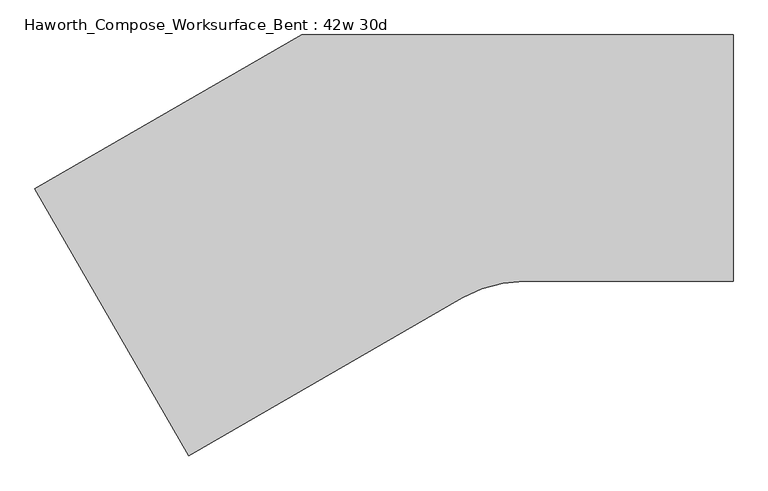
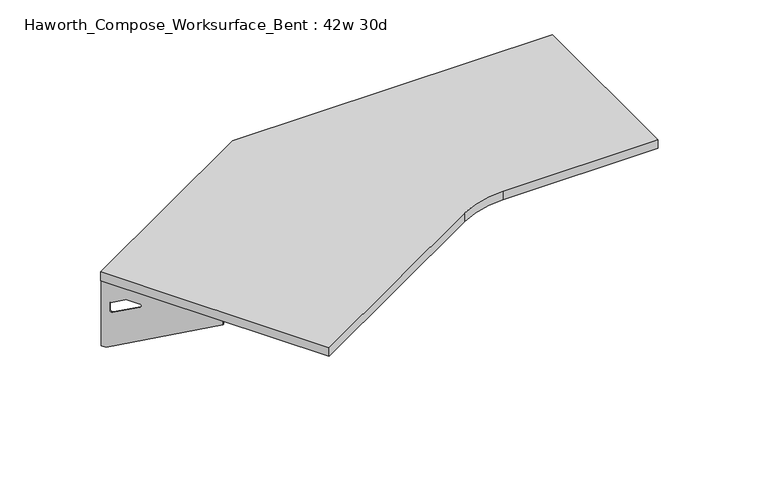
"""IFC4 building model written with IfcOpenShell, lengths in millimetres: furniture geometry, Haworth_Compose_Worksurface_Bent : 42w 30d."""

from ifc_helpers import new_model, si_unit, point, frame, frame_2d, origin, place, context, project, spatial, polyline, circle_curve, trimmed, segment, composite_curve, outline, extrude, source, transform, mapped, element, save
from ifc_brep_helpers import plane_surface, revolved_surface, advanced_brep


def haworth_compose_worksurface_bent_42w_30d_535ad20a(model_context):
    return source(origin(), model_context, "Body", "SolidModel", [
        advanced_brep(
        [(299.24375, 304.8, 475.45625), (299.24375, 288.925, 475.45625), (299.24375, -101.6, 691.7192568), (299.24375, -101.6, 704.05625), (299.24375, 288.925, 704.05625), (299.24375, 304.8, 704.05625), (299.24375, 221.490072, 665.95625), (299.24375, 177.8355284, 665.95625), (299.24375, 175.1564235, 656.3705539), (299.24375, 266.8776173, 605.5776439), (299.24375, 276.225, 611.1756969), (299.24375, 276.225, 634.6860246), (299.24375, 274.4730055, 637.5242776), (299.24375, 224.5663437, 665.1613425), (301.625, 304.8, 475.45625), (301.625, 304.8, 704.05625), (301.625, 288.925, 704.05625), (301.625, 288.925, 706.4375), (301.625, -101.6, 706.4375), (301.625, -101.6, 691.7192568), (301.625, 288.925, 475.45625), (301.625, 221.490072, 665.95625), (301.625, 224.5663437, 665.1613425), (301.625, 274.4730055, 637.5242776), (301.625, 276.225, 634.6860246), (301.625, 276.225, 611.1756969), (301.625, 266.8776173, 605.5776439), (301.625, 175.1564235, 656.3705539), (301.625, 177.8355284, 665.95625), (260.35, -101.6, 706.4375), (260.35, -101.6, 704.05625), (260.35, 288.925, 704.05625), (260.35, 288.925, 706.4375)],
        [
            (0, 1),
            (1, 2),
            (2, 3),
            (3, 4),
            (4, 5),
            (5, 0),
            (6, 7),
            (7, 8, circle_curve(frame((299.24375, 177.8355284, 660.7890106), z_axis=(1.0, 0.0, 0.0), x_axis=(0.0, -1.0, 0.0)), 5.1672394)),
            (8, 9),
            (9, 10, circle_curve(frame((299.24375, 269.875, 611.1756969), z_axis=(1.0, 0.0, 0.0), x_axis=(0.0, -1.0, 0.0)), 6.35)),
            (10, 11),
            (11, 12, circle_curve(frame((299.24375, 273.05, 634.6860246), z_axis=(1.0, 0.0, 0.0), x_axis=(0.0, -1.0, 0.0)), 3.175)),
            (12, 13),
            (13, 6, circle_curve(frame((299.24375, 221.490072, 659.60625), z_axis=(1.0, 0.0, 0.0), x_axis=(0.0, -1.0, 0.0)), 6.35)),
            (14, 15),
            (15, 16),
            (16, 17),
            (17, 18),
            (18, 19),
            (19, 20),
            (20, 14),
            (21, 22, circle_curve(frame((301.625, 221.490072, 659.60625), z_axis=(-1.0, 0.0, 0.0), x_axis=(0.0, -1.0, 0.0)), 6.35)),
            (22, 23),
            (23, 24, circle_curve(frame((301.625, 273.05, 634.6860246), z_axis=(-1.0, 0.0, 0.0), x_axis=(0.0, -1.0, 0.0)), 3.175)),
            (24, 25),
            (25, 26, circle_curve(frame((301.625, 269.875, 611.1756969), z_axis=(-1.0, 0.0, 0.0), x_axis=(0.0, -1.0, 0.0)), 6.35)),
            (26, 27),
            (27, 28, circle_curve(frame((301.625, 177.8355284, 660.7890106), z_axis=(-1.0, 0.0, 0.0), x_axis=(0.0, -1.0, 0.0)), 5.1672394)),
            (28, 21),
            (4, 16),
            (15, 5),
            (14, 0),
            (20, 1),
            (19, 2),
            (18, 29),
            (29, 30),
            (30, 3),
            (6, 21),
            (28, 7),
            (9, 26),
            (25, 10),
            (24, 11),
            (23, 12),
            (27, 8),
            (31, 4),
            (30, 31),
            (32, 29),
            (17, 32),
            (31, 32),
            (22, 13),
        ],
        [
            plane_surface(frame((299.24375, 304.8, 475.45625), z_axis=(-1.0, 0.0, 0.0), x_axis=(0.0, 1.0, 0.0))),
            plane_surface(frame((301.625, 304.8, 475.45625), z_axis=(1.0, 0.0, 0.0), x_axis=(0.0, -1.0, 0.0))),
            plane_surface(frame((301.625, -101.6, 704.05625), z_axis=(0.0, 0.0, 1.0), x_axis=(-1.0, 0.0, 0.0))),
            plane_surface(frame((301.625, 304.8, 704.05625), z_axis=(0.0, 1.0, 0.0), x_axis=(-1.0, 0.0, 0.0))),
            plane_surface(frame((301.625, 304.8, 475.45625), z_axis=(0.0, 0.0, -1.0), x_axis=(-1.0, 0.0, 0.0))),
            plane_surface(frame((301.625, 288.925, 475.45625), z_axis=(0.0, -0.48445223513455843, -0.8748177135112952), x_axis=(-1.0, 0.0, 0.0))),
            plane_surface(frame((301.625, -101.6, 691.7192568), z_axis=(0.0, -1.0, 0.0), x_axis=(-1.0, 0.0, 0.0))),
            plane_surface(frame((301.625, 221.490072, 665.95625), z_axis=(0.0, 0.0, -1.0), x_axis=(-1.0, 0.0, 0.0))),
            revolved_surface(polyline([(299.24375, 263.525, 611.1756969), (301.625, 263.525, 611.1756969)]), (301.625, 269.875, 611.1756969), (-1.0, 0.0, 0.0)),
            plane_surface(frame((301.625, 276.225, 611.1756969), z_axis=(0.0, -1.0, 0.0), x_axis=(-1.0, 0.0, 0.0))),
            revolved_surface(polyline([(299.24375, 269.875, 634.6860246), (301.625, 269.875, 634.6860246)]), (301.625, 273.05, 634.6860246), (-1.0, 0.0, 0.0)),
            revolved_surface(polyline([(299.24375, 172.668289, 660.7890106), (301.625, 172.668289, 660.7890106)]), (301.625, 177.8355284, 660.7890106), (-1.0, 0.0, 0.0)),
            plane_surface(frame((301.625, 288.925, 704.05625), z_axis=(0.0, 0.0, -1.0), x_axis=(-1.0, 0.0, 0.0))),
            plane_surface(frame((301.625, 288.925, 706.4375), z_axis=(0.0, 0.0, 1.0), x_axis=(1.0, 0.0, 0.0))),
            plane_surface(frame((260.35, 288.925, 706.4375), z_axis=(0.0, 1.0, 0.0), x_axis=(0.0, 0.0, -1.0))),
            plane_surface(frame((260.35, -101.6, 706.4375), z_axis=(-1.0, 0.0, 0.0), x_axis=(0.0, 0.0, -1.0))),
            plane_surface(frame((301.625, 175.1564235, 656.3705539), z_axis=(0.0, 0.4844522351345583, 0.8748177135112953), x_axis=(-1.0, 0.0, 0.0))),
            plane_surface(frame((301.625, 274.4730055, 637.5242776), z_axis=(0.0, -0.4844522351345582, -0.8748177135112953), x_axis=(-1.0, 0.0, 0.0))),
            revolved_surface(polyline([(299.24375, 215.140072, 659.60625), (301.625, 215.140072, 659.60625)]), (301.625, 221.490072, 659.60625), (-1.0, 0.0, 0.0)),
        ],
        [
            (0, [[1, 2, 3, 4, 5, 6], [7, 8, 9, 10, 11, 12, 13, 14]]),
            (1, [[15, 16, 17, 18, 19, 20, 21], [22, 23, 24, 25, 26, 27, 28, 29]]),
            (2, [[-5, 30, -16, 31]]),
            (3, [[-31, -15, 32, -6]]),
            (4, [[-32, -21, 33, -1]]),
            (5, [[-33, -20, 34, -2]]),
            (6, [[-34, -19, 35, 36, 37, -3]]),
            (7, [[38, -29, 39, -7]]),
            (8, [[40, -26, 41, -10]]),
            (9, [[-41, -25, 42, -11]]),
            (10, [[-42, -24, 43, -12]]),
            (11, [[-39, -28, 44, -8]]),
            (12, [[45, -4, -37, 46]]),
            (13, [[47, -35, -18, 48]]),
            (14, [[-17, -30, -45, 49, -48]]),
            (15, [[-36, -47, -49, -46]]),
            (16, [[-44, -27, -40, -9]]),
            (17, [[-43, -23, 50, -13]]),
            (18, [[-50, -22, -38, -14]]),
        ],
    ),
        advanced_brep(
        [(-1417.099504, -73.421875, 475.45625), (-1417.099504, -73.421875, 704.05625), (-1409.162004, -87.1700283, 704.05625), (-1213.899504, -425.3745991, 704.05625), (-1213.899504, -425.3745991, 691.7192568), (-1409.162004, -87.1700283, 475.45625), (-1375.44454, -145.570389, 665.95625), (-1376.9826759, -142.9062596, 665.1613425), (-1401.9360068, -99.6858226, 637.5242776), (-1402.812004, -98.1685509, 634.6860246), (-1402.812004, -98.1685509, 611.1756969), (-1398.1383127, -106.2636218, 605.5776439), (-1352.2777158, -185.6965057, 656.3705539), (-1353.6172682, -183.3763328, 665.95625), (-1419.161727, -74.6125, 475.45625), (-1411.224227, -88.3606533, 475.45625), (-1215.961727, -426.5652241, 691.7192568), (-1215.961727, -426.5652241, 706.4375), (-1411.224227, -88.3606533, 706.4375), (-1411.224227, -88.3606533, 704.05625), (-1419.161727, -74.6125, 704.05625), (-1377.506763, -146.761014, 665.95625), (-1355.6794912, -184.5669578, 665.95625), (-1354.3399388, -186.8871307, 656.3705539), (-1400.2005357, -107.4542468, 605.5776439), (-1404.874227, -99.3591759, 611.1756969), (-1404.874227, -99.3591759, 634.6860246), (-1403.9982298, -100.8764476, 637.5242776), (-1379.0448989, -144.0968846, 665.1613425), (-1180.2165285, -405.9277241, 704.05625), (-1180.2165285, -405.9277241, 706.4375), (-1375.4790285, -67.7231533, 704.05625), (-1375.4790285, -67.7231533, 706.4375)],
        [
            (0, 1),
            (1, 2),
            (2, 3),
            (3, 4),
            (4, 5),
            (5, 0),
            (6, 7, circle_curve(frame((-1375.44454, -145.570389, 659.60625), z_axis=(-0.8660254037844367, -0.5000000000000036, 0.0), x_axis=(0.5000000000000034, -0.8660254037844365, 0.0)), 6.35)),
            (7, 8),
            (8, 9, circle_curve(frame((-1401.224504, -100.9181816, 634.6860246), z_axis=(-0.8660254037844367, -0.5000000000000036, 0.0), x_axis=(0.5000000000000034, -0.8660254037844365, 0.0)), 3.175)),
            (9, 10),
            (10, 11, circle_curve(frame((-1399.637004, -103.6678122, 611.1756969), z_axis=(-0.8660254037844367, -0.5000000000000036, 0.0), x_axis=(0.5000000000000034, -0.8660254037844365, 0.0)), 6.35)),
            (11, 12),
            (12, 13, circle_curve(frame((-1353.6172682, -183.3763328, 660.7890106), z_axis=(-0.8660254037844367, -0.5000000000000036, 0.0), x_axis=(0.5000000000000034, -0.8660254037844365, 0.0)), 5.1672394)),
            (13, 6),
            (14, 15),
            (15, 16),
            (16, 17),
            (17, 18),
            (18, 19),
            (19, 20),
            (20, 14),
            (21, 22),
            (22, 23, circle_curve(frame((-1355.6794912, -184.5669578, 660.7890106), z_axis=(0.8660254037844367, 0.5000000000000036, 0.0), x_axis=(0.5000000000000034, -0.8660254037844365, 0.0)), 5.1672394)),
            (23, 24),
            (24, 25, circle_curve(frame((-1401.699227, -104.8584372, 611.1756969), z_axis=(0.8660254037844367, 0.5000000000000036, 0.0), x_axis=(0.5000000000000034, -0.8660254037844365, 0.0)), 6.35)),
            (25, 26),
            (26, 27, circle_curve(frame((-1403.286727, -102.1088066, 634.6860246), z_axis=(0.8660254037844367, 0.5000000000000036, 0.0), x_axis=(0.5000000000000034, -0.8660254037844365, 0.0)), 3.175)),
            (27, 28),
            (28, 21, circle_curve(frame((-1377.506763, -146.761014, 659.60625), z_axis=(0.8660254037844367, 0.5000000000000036, 0.0), x_axis=(0.5000000000000034, -0.8660254037844365, 0.0)), 6.35)),
            (1, 20),
            (19, 2),
            (0, 14),
            (5, 15),
            (4, 16),
            (3, 29),
            (29, 30),
            (30, 17),
            (13, 22),
            (21, 6),
            (10, 25),
            (24, 11),
            (9, 26),
            (8, 27),
            (12, 23),
            (31, 29),
            (2, 31),
            (32, 18),
            (30, 32),
            (32, 31),
            (7, 28),
        ],
        [
            plane_surface(frame((-1417.099504, -73.421875, 475.45625), z_axis=(0.8660254037844367, 0.5000000000000036, 0.0), x_axis=(-0.5000000000000036, 0.8660254037844367, 0.0))),
            plane_surface(frame((-1419.161727, -74.6125, 475.45625), z_axis=(-0.8660254037844367, -0.5000000000000036, 0.0), x_axis=(0.5000000000000036, -0.8660254037844367, 0.0))),
            plane_surface(frame((-1215.961727, -426.5652241, 704.05625), z_axis=(0.0, 0.0, 1.0), x_axis=(0.8660254037844358, 0.500000000000005, 0.0))),
            plane_surface(frame((-1419.161727, -74.6125, 704.05625), z_axis=(-0.500000000000005, 0.8660254037844358, 0.0), x_axis=(0.8660254037844358, 0.500000000000005, 0.0))),
            plane_surface(frame((-1419.161727, -74.6125, 475.45625), z_axis=(0.0, 0.0, -1.0), x_axis=(0.8660254037844358, 0.500000000000005, 0.0))),
            plane_surface(frame((-1411.224227, -88.3606533, 475.45625), z_axis=(0.24222611756728163, -0.41954794254667843, -0.8748177135112951), x_axis=(0.8660254037844358, 0.500000000000005, 0.0))),
            plane_surface(frame((-1215.961727, -426.5652241, 691.7192568), z_axis=(0.500000000000005, -0.8660254037844358, 0.0), x_axis=(0.8660254037844358, 0.500000000000005, 0.0))),
            plane_surface(frame((-1377.506763, -146.761014, 665.95625), z_axis=(0.0, 0.0, -1.0), x_axis=(0.8660254037844358, 0.500000000000005, 0.0))),
            revolved_surface(polyline([(-1396.4620040018096, -109.16707351089683, 611.1756969), (-1398.5242270534939, -110.3576985449158, 611.1756969)]), (-1401.699227, -104.8584372, 611.1756969), (0.8660254037844365, 0.5000000000000034, 0.0)),
            plane_surface(frame((-1404.874227, -99.3591759, 611.1756969), z_axis=(0.500000000000005, -0.8660254037844358, 0.0), x_axis=(0.8660254037844358, 0.500000000000005, 0.0))),
            revolved_surface(polyline([(-1399.6370039831966, -103.66781224313517, 634.6860246), (-1401.6992269999998, -104.85843725701558, 634.6860246)]), (-1403.286727, -102.1088066, 634.6860246), (0.8660254037844365, 0.5000000000000034, 0.0)),
            revolved_surface(polyline([(-1351.0336485018095, -187.8512933847015, 660.7890106), (-1353.095871536286, -189.04191840878565, 660.7890106)]), (-1355.6794912, -184.5669578, 660.7890106), (0.8660254037844365, 0.5000000000000034, 0.0)),
            plane_surface(frame((-1411.224227, -88.3606533, 704.05625), z_axis=(0.0, 0.0, -1.0), x_axis=(0.866025403784437, 0.5000000000000029, 0.0))),
            plane_surface(frame((-1411.224227, -88.3606533, 706.4375), z_axis=(0.0, 0.0, 1.0), x_axis=(-0.866025403784437, -0.5000000000000029, 0.0))),
            plane_surface(frame((-1375.4790285, -67.7231533, 706.4375), z_axis=(-0.5000000000000029, 0.866025403784437, 0.0), x_axis=(0.0, 0.0, -1.0))),
            plane_surface(frame((-1180.2165285, -405.9277241, 706.4375), z_axis=(0.8660254037844367, 0.5000000000000036, 0.0), x_axis=(0.0, 0.0, -1.0))),
            plane_surface(frame((-1354.3399388, -186.8871307, 656.3705539), z_axis=(-0.24222611756728157, 0.4195479425466783, 0.8748177135112953), x_axis=(0.8660254037844358, 0.500000000000005, 0.0))),
            plane_surface(frame((-1403.9982298, -100.8764476, 637.5242776), z_axis=(0.24222611756728155, -0.41954794254667827, -0.8748177135112954), x_axis=(0.8660254037844358, 0.500000000000005, 0.0))),
            revolved_surface(polyline([(-1372.2695400018097, -151.06965031089683, 659.60625), (-1374.3317630553156, -152.2602753459675, 659.60625)]), (-1377.506763, -146.761014, 659.60625), (0.8660254037844365, 0.5000000000000034, 0.0)),
        ],
        [
            (0, [[1, 2, 3, 4, 5, 6], [7, 8, 9, 10, 11, 12, 13, 14]]),
            (1, [[15, 16, 17, 18, 19, 20, 21], [22, 23, 24, 25, 26, 27, 28, 29]]),
            (2, [[30, -20, 31, -2]]),
            (3, [[-1, 32, -21, -30]]),
            (4, [[-6, 33, -15, -32]]),
            (5, [[-5, 34, -16, -33]]),
            (6, [[-4, 35, 36, 37, -17, -34]]),
            (7, [[-14, 38, -22, 39]]),
            (8, [[-11, 40, -25, 41]]),
            (9, [[-10, 42, -26, -40]]),
            (10, [[-9, 43, -27, -42]]),
            (11, [[-13, 44, -23, -38]]),
            (12, [[45, -35, -3, 46]]),
            (13, [[47, -18, -37, 48]]),
            (14, [[-47, 49, -46, -31, -19]]),
            (15, [[-45, -49, -48, -36]]),
            (16, [[-12, -41, -24, -44]]),
            (17, [[-8, 50, -28, -43]]),
            (18, [[-7, -39, -29, -50]]),
        ],
    ),
        extrude(outline(composite_curve([segment(polyline([(-762.0, 304.8), (304.8, 304.8), (304.8, -304.8), (-212.1872584, -304.8)]), True, "CONTINUOUS"), segment(trimmed(circle_curve(frame_2d((-212.1872584, -609.6)), 304.8), [point((-212.1872584, -304.8))], [point((-364.5872584, -345.6354569))], True, "CARTESIAN"), True, "CONTINUOUS"), segment(polyline([(-364.5872584, -345.6354569), (-1040.9113577, -736.1113577), (-1421.9113577, -76.2), (-762.0, 304.8)]), True, "CONTINUOUS")], self_intersect=False)), frame((0.0, 0.0, 706.4375), z_axis=(0.0, 0.0, 1.0), x_axis=(1.0, 0.0, 0.0)), (0.0, 0.0, 1.0), 30.1625),
    ])


if __name__ == "__main__":
    model = new_model("IFC4")
    model_context = context("Model", 3, world=origin())
    ifc_project = project(units=[si_unit("LENGTHUNIT", "METRE", prefix="MILLI")], contexts=[model_context])
    site = spatial("IfcSite", under=ifc_project)
    building = spatial("IfcBuilding", under=site)
    placement = place(None, origin())
    haworth_compose_worksurface_bent_42w_30d_shape = haworth_compose_worksurface_bent_42w_30d_535ad20a(model_context)
    element("IfcFurniture", 1, ObjectType="Haworth_Compose_Worksurface_Bent : 42w 30d", at=placement, inside=building, context=model_context, shape_type="MappedRepresentation", body=[
        mapped(haworth_compose_worksurface_bent_42w_30d_shape, transform((0.0, 0.0, 0.0), x_axis=(1.0, 0.0, 0.0), y_axis=(0.0, 1.0, 0.0), z_axis=(0.0, 0.0, 1.0))),
    ])
    save(model, "model.ifc")
